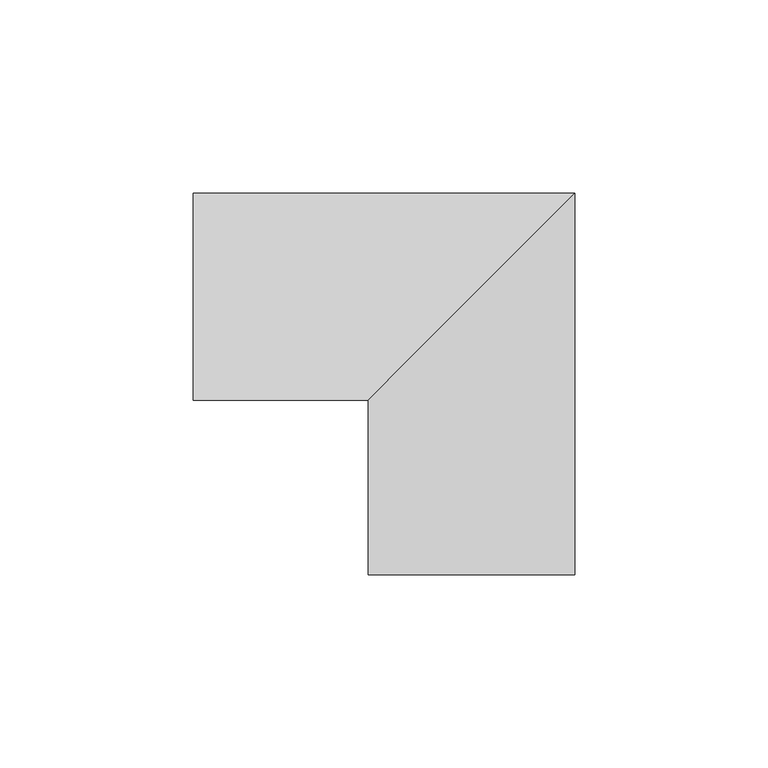
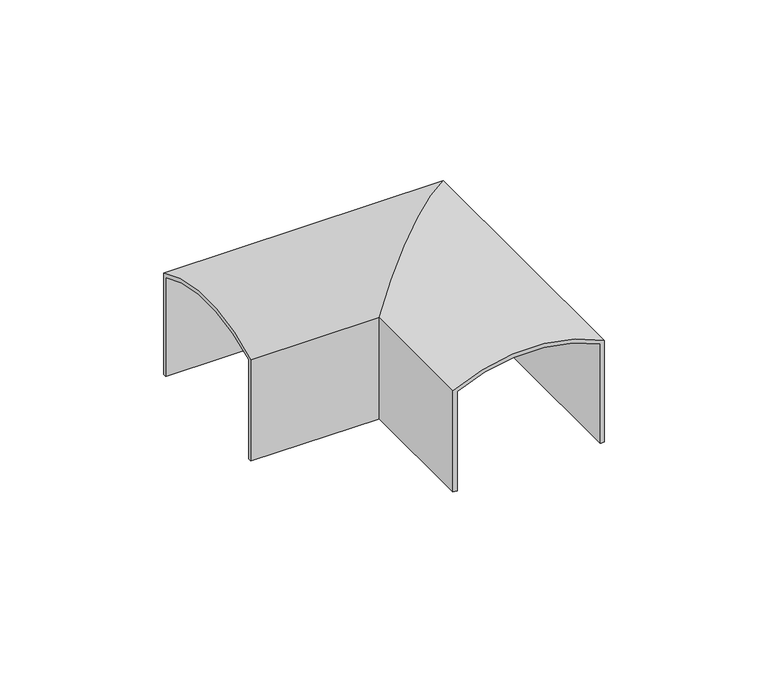
"""IFC4 building model written with IfcOpenShell, lengths in millimetres: proxy geometry."""

from ifc_helpers import new_model, si_unit, frame, origin, place, context, project, spatial, polyline, circle_curve, ellipse_curve, source, transform, mapped, element, save
from ifc_brep_helpers import plane_surface, cylinder_surface, revolved_surface, advanced_brep


def generic_models_b718ed85(model_context):
    return source(origin(), model_context, "Body", "AdvancedBrep", [
        advanced_brep(
        [(-26.7441608, -71.9513646, -5.1313999), (-26.7441608, -71.9513646, -42.9991934), (-25.2598291, -71.9513646, -42.9991934), (-25.2598291, -71.9513646, -5.8631127), (25.2598291, -71.9513646, -5.8678927), (25.2598291, -71.9513646, -42.9991934), (26.7547089, -71.9513646, -42.9991934), (26.7547089, -71.9513646, -5.1421029), (26.7547089, 26.754154, -42.9991934), (26.7547089, 26.754154, -5.1421029), (25.2598291, 25.2592742, -5.8678927), (25.2598291, 25.2592742, -42.9991934), (-25.2598291, -25.2603841, -5.8631127), (-25.2598291, -25.2603841, -42.9991934), (-26.7441608, -26.7447157, -5.1313999), (-26.7441608, -26.7447157, -42.9991934), (-71.964886, -26.7447157, -5.1313999), (-71.964886, 26.754154, -5.1421029), (-71.964886, 26.754154, -42.9991934), (-71.964886, 25.2592742, -42.9991934), (-71.964886, 25.2592742, -5.8678927), (-71.964886, -25.2603841, -5.8631127), (-71.964886, -25.2603841, -42.9991934), (-71.964886, -26.7447157, -42.9991934)],
        [
            (0, 1),
            (1, 2),
            (2, 3),
            (3, 4, circle_curve(frame((-0.0048689, -71.9513646, -57.3235684), z_axis=(0.0, 1.0, 0.0), x_axis=(1.0, 0.0, 0.0)), 57.3235687)),
            (4, 5),
            (5, 6),
            (6, 7),
            (7, 0, circle_curve(frame((-0.0048689, -71.9513646, -55.8364469), z_axis=(0.0, -1.0, 0.0), x_axis=(1.0, 0.0, 0.0)), 57.3235687)),
            (6, 8),
            (8, 9),
            (9, 7),
            (4, 10),
            (10, 11),
            (11, 5),
            (3, 12),
            (12, 10, ellipse_curve(frame((-0.0048689, -0.0054238, -57.3235684), z_axis=(-0.7071067811865475, 0.7071067811865475, 0.0), x_axis=(0.7071067811865474, 0.7071067811865476, 0.0)), 81.0677682, 57.3235687)),
            (2, 13),
            (13, 12),
            (0, 14),
            (14, 15),
            (15, 1),
            (16, 17, circle_curve(frame((-71.964886, -0.0054238, -55.8364469), z_axis=(-1.0, 0.0, 0.0), x_axis=(0.0, 1.0, 0.0)), 57.3235687)),
            (17, 18),
            (18, 19),
            (19, 20),
            (20, 21, circle_curve(frame((-71.964886, -0.0054238, -57.3235684), z_axis=(1.0, 0.0, 0.0), x_axis=(0.0, 1.0, 0.0)), 57.3235687)),
            (21, 22),
            (22, 23),
            (23, 16),
            (8, 18),
            (17, 9),
            (10, 20),
            (19, 11),
            (12, 21),
            (13, 22),
            (14, 16),
            (23, 15),
            (9, 14, ellipse_curve(frame((-0.0048689, -0.0054238, -55.8364469), z_axis=(0.7071067811865475, -0.7071067811865475, 0.0), x_axis=(-0.7071067811865474, -0.7071067811865476, 0.0)), 81.0677682, 57.3235687)),
        ],
        [
            plane_surface(frame((0.0, -71.9513646, 0.0), z_axis=(0.0, -1.0, 0.0), x_axis=(0.0, 0.0, 1.0))),
            plane_surface(frame((26.7547089, -71.9513646, -5.1421029), z_axis=(1.0, 0.0, 0.0), x_axis=(0.0, 1.0, 0.0))),
            plane_surface(frame((25.2598291, -71.9513646, -42.9991934), z_axis=(-1.0, 0.0, 0.0), x_axis=(0.0, 1.0, 0.0))),
            revolved_surface(polyline([(57.318699800000005, 57.318144829879174, -57.3235684), (57.318699800000005, -71.9513646, -57.3235684)]), (-0.0048689, -71.9513646, -57.3235684), (0.0, 1.0, 0.0)),
            plane_surface(frame((-25.2598291, -71.9513646, -5.8631127), z_axis=(1.0, 0.0, 0.0), x_axis=(0.0, 1.0, 0.0))),
            plane_surface(frame((-26.7441608, -71.9513646, -42.9991934), z_axis=(-1.0, 0.0, 0.0), x_axis=(0.0, 1.0, 0.0))),
            plane_surface(frame((-71.964886, -0.000555, 0.0), z_axis=(-1.0, 0.0, 0.0), x_axis=(0.0, 0.0, 1.0))),
            plane_surface(frame((26.7547089, 26.754154, -5.1421029), z_axis=(0.0, 1.0, 0.0), x_axis=(-1.0, 0.0, 0.0))),
            plane_surface(frame((25.2598291, 25.2592742, -42.9991934), z_axis=(0.0, -1.0, 0.0), x_axis=(-1.0, 0.0, 0.0))),
            revolved_surface(polyline([(-71.964886, 57.3181449, -57.3235684), (57.31869972987914, 57.3181449, -57.3235684)]), (0.0, -0.0054238, -57.3235684), (-1.0, 0.0, 0.0)),
            plane_surface(frame((-25.2598291, -25.2603841, -5.8631127), z_axis=(0.0, 1.0, 0.0), x_axis=(-1.0, 0.0, 0.0))),
            plane_surface(frame((-26.7441608, -26.7447157, -42.9991934), z_axis=(0.0, -1.0, 0.0), x_axis=(-1.0, 0.0, 0.0))),
            cylinder_surface(frame((-0.0048689, -71.9513646, -55.8364469), z_axis=(0.0, -1.0, 0.0), x_axis=(1.0, 0.0, 0.0)), 57.3235687),
            plane_surface(frame((26.7547089, -71.9513646, -42.9991934), z_axis=(0.0, 0.0, -1.0), x_axis=(0.0, 1.0, 0.0))),
            plane_surface(frame((-25.2598291, -71.9513646, -42.9991934), z_axis=(0.0, 0.0, -1.0), x_axis=(0.0, 1.0, 0.0))),
            cylinder_surface(frame((0.0, -0.0054238, -55.8364469), z_axis=(1.0, 0.0, 0.0), x_axis=(0.0, 1.0, 0.0)), 57.3235687),
        ],
        [
            (0, [[1, 2, 3, 4, 5, 6, 7, 8]]),
            (1, [[9, 10, 11, -7]]),
            (2, [[12, 13, 14, -5]]),
            (3, [[15, 16, -12, -4]]),
            (4, [[17, 18, -15, -3]]),
            (5, [[19, 20, 21, -1]]),
            (6, [[22, 23, 24, 25, 26, 27, 28, 29]]),
            (7, [[30, -23, 31, -10]]),
            (8, [[32, -25, 33, -13]]),
            (9, [[34, -26, -32, -16]]),
            (10, [[35, -27, -34, -18]]),
            (11, [[36, -29, 37, -20]]),
            (12, [[-11, 38, -19, -8]]),
            (13, [[-14, -33, -24, -30, -9, -6]]),
            (14, [[-21, -37, -28, -35, -17, -2]]),
            (15, [[-31, -22, -36, -38]]),
        ],
    ),
    ])


if __name__ == "__main__":
    model = new_model("IFC4")
    model_context = context("Model", 3, world=origin())
    ifc_project = project(units=[si_unit("LENGTHUNIT", "METRE", prefix="MILLI")], contexts=[model_context])
    site = spatial("IfcSite", under=ifc_project)
    building = spatial("IfcBuilding", under=site)
    placement = place(None, origin())
    generic_models_shape = generic_models_b718ed85(model_context)
    element("IfcBuildingElementProxy", 1, Name="Generic Models", at=placement, inside=building, context=model_context, shape_type="MappedRepresentation", body=[
        mapped(generic_models_shape, transform((0.0, 0.0, 0.0), x_axis=(1.0, 0.0, 0.0), y_axis=(0.0, 1.0, 0.0), z_axis=(0.0, 0.0, 1.0))),
    ])
    save(model, "model.ifc")
